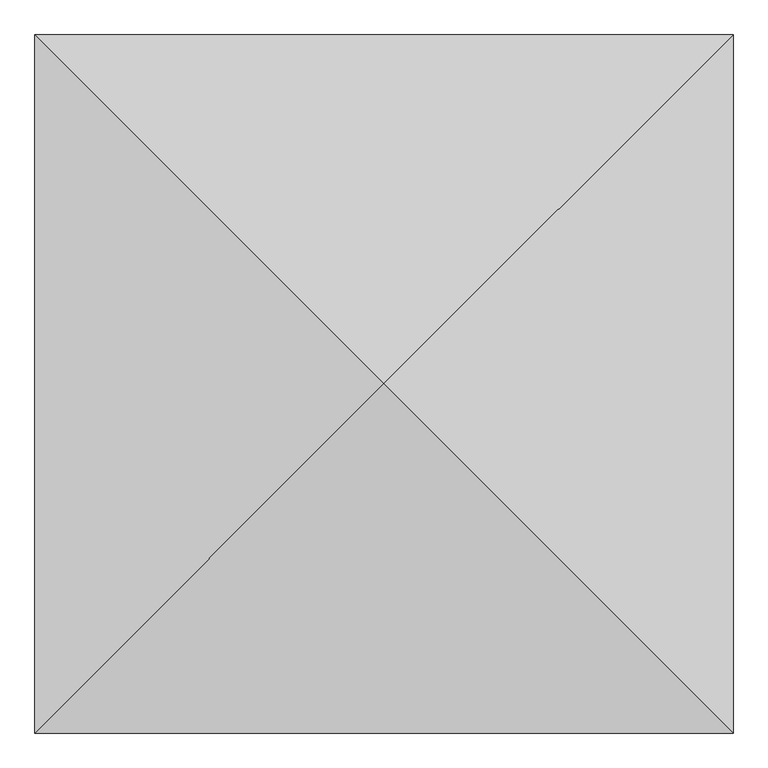
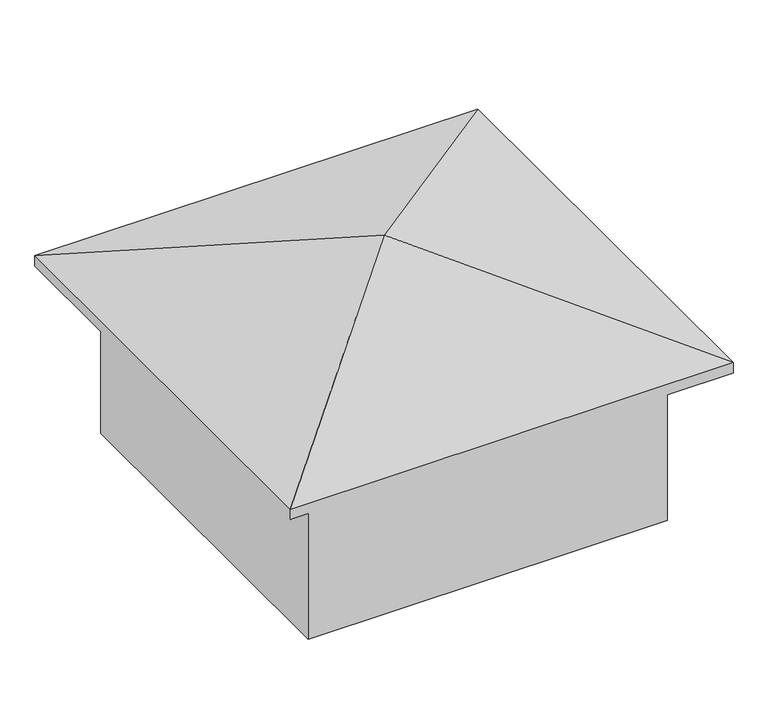
"""IFC4 building model written with IfcOpenShell, lengths in millimetres: geographic element geometry."""

from ifc_helpers import new_model, si_unit, origin, place, context, project, spatial, triangles, source, transform, mapped, element, save


def geographic_element_f7ecdaa5(model_context):
    return source(origin(), model_context, "Body", "Tessellation", [
        triangles([(3525.6470078, 3525.6470078, 4077.6185486), (0.0, 7051.2940155, 2828.4695045), (0.0, 0.0, 2828.4695045), (7051.2940155, 7051.2940155, 2828.4695045), (7051.2940155, 0.0, 2828.4695045), (7051.2940155, 7051.2940155, 2652.3782181), (0.0, 0.0, 2652.3782181), (0.0, 7051.2940155, 2652.3782181), (7051.2940155, 0.0, 2652.3782181), (6388.0490341, 6388.0490341, 0.0), (663.244836, 663.244836, 0.0), (663.244836, 6388.0490341, 0.0), (6388.0490341, 663.244836, 0.0), (6388.0490341, 663.244836, 2828.4695045), (663.244836, 663.244836, 2828.4695045), (6388.0490341, 6388.0490341, 2828.4695045), (663.244836, 6388.0490341, 2828.4695045)], [[1, 2, 3], [4, 2, 1], [5, 1, 3], [4, 1, 5], [6, 7, 8], [7, 6, 9], [2, 7, 3], [7, 2, 8], [2, 6, 8], [6, 2, 4], [6, 5, 9], [5, 6, 4], [5, 7, 9], [7, 5, 3], [10, 11, 12], [11, 10, 13], [14, 11, 13], [11, 14, 15], [10, 14, 13], [14, 10, 16], [17, 10, 12], [10, 17, 16], [17, 11, 15], [11, 17, 12], [14, 17, 15], [17, 14, 16]]),
    ])


if __name__ == "__main__":
    model = new_model("IFC4")
    model_context = context("Model", 3, world=origin())
    ifc_project = project(units=[si_unit("LENGTHUNIT", "METRE", prefix="MILLI")], contexts=[model_context])
    site = spatial("IfcSite", under=ifc_project)
    building = spatial("IfcBuilding", under=site)
    placement = place(None, origin())
    geographic_element_shape = geographic_element_f7ecdaa5(model_context)
    element("IfcGeographicElement", 1, at=placement, inside=building, context=model_context, shape_type="MappedRepresentation", body=[
        mapped(geographic_element_shape, transform((0.0, 0.0, 0.0), x_axis=(1.0, 0.0, 0.0), y_axis=(0.0, 1.0, 0.0), z_axis=(0.0, 0.0, 1.0))),
    ])
    save(model, "model.ifc")
